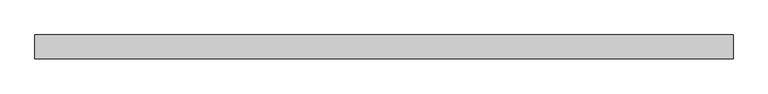
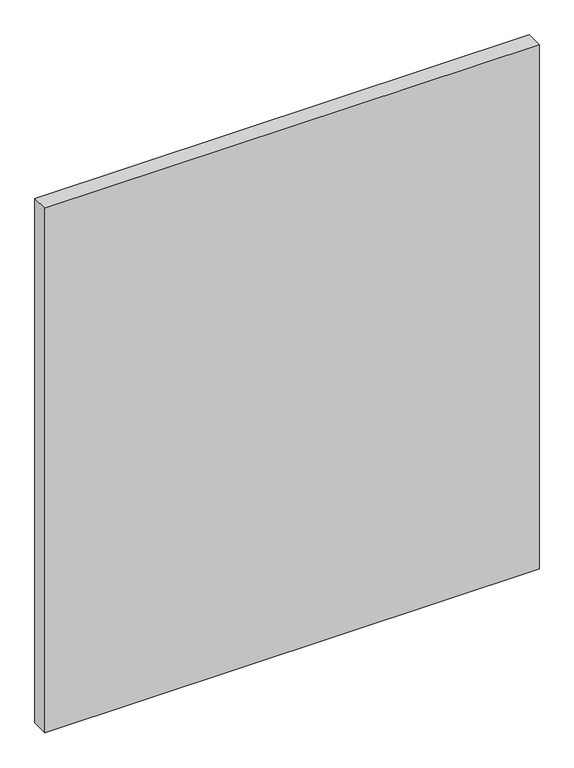
"""IFC4 building model written with IfcOpenShell, lengths in millimetres: plate geometry."""

from ifc_helpers import new_model, si_unit, origin, origin_with_axes, place, context, project, spatial, polyline, outline, extrude, source, transform, mapped, element, save


def plate_d20030d3(model_context):
    return source(origin(), model_context, "Body", "SweptSolid", [
        extrude(outline(polyline([(509.6458333, -17.5), (-509.6458333, -17.5), (-509.6458333, 17.5), (509.6458333, 17.5), (509.6458333, -17.5)])), origin_with_axes(), (0.0, 0.0, 1.0), 1143.8125),
    ])


if __name__ == "__main__":
    model = new_model("IFC4")
    model_context = context("Model", 3, world=origin())
    ifc_project = project(units=[si_unit("LENGTHUNIT", "METRE", prefix="MILLI")], contexts=[model_context])
    site = spatial("IfcSite", under=ifc_project)
    building = spatial("IfcBuilding", under=site)
    placement = place(None, origin())
    plate_shape = plate_d20030d3(model_context)
    element("IfcPlate", 1, at=placement, inside=building, context=model_context, shape_type="MappedRepresentation", body=[
        mapped(plate_shape, transform((0.0, 0.0, 0.0), x_axis=(1.0, 0.0, 0.0), y_axis=(0.0, 1.0, 0.0), z_axis=(0.0, 0.0, 1.0))),
    ])
    save(model, "model.ifc")
